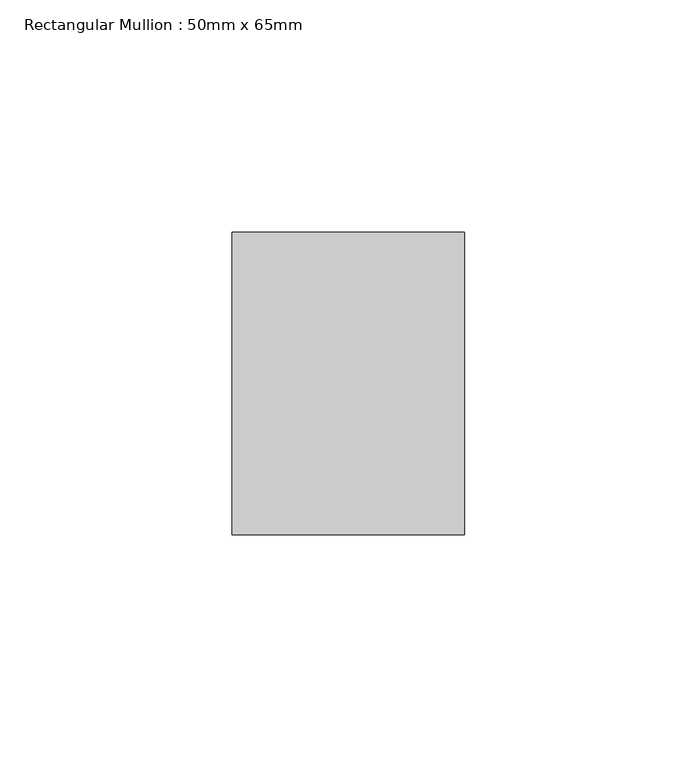
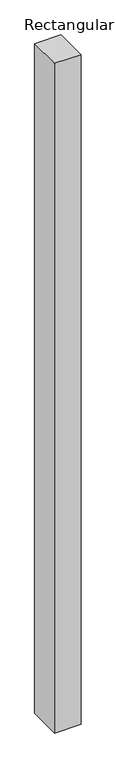
"""IFC4 building model written with IfcOpenShell, lengths in millimetres: member geometry, Rectangular Mullion : 50mm x 65mm."""

from ifc_helpers import new_model, si_unit, frame, origin, place, context, project, spatial, polyline, outline, extrude, source, transform, mapped, element, save


def rectangular_mullion_50mm_x_65mm_f755ff8c(model_context):
    return source(origin(), model_context, "Body", "SweptSolid", [
        extrude(outline(polyline([(25.0, 32.5), (25.0, -32.5), (-25.0, -32.5), (-25.0, 32.5), (25.0, 32.5)])), frame((0.0, 0.0, -1337.4794472), z_axis=(0.0, 0.0, 1.0), x_axis=(1.0, 0.0, 0.0)), (0.0, 0.0, 1.0), 1337.4794472),
    ])


if __name__ == "__main__":
    model = new_model("IFC4")
    model_context = context("Model", 3, world=origin())
    ifc_project = project(units=[si_unit("LENGTHUNIT", "METRE", prefix="MILLI")], contexts=[model_context])
    site = spatial("IfcSite", under=ifc_project)
    building = spatial("IfcBuilding", under=site)
    placement = place(None, origin())
    rectangular_mullion_50mm_x_65mm_shape = rectangular_mullion_50mm_x_65mm_f755ff8c(model_context)
    element("IfcMember", 1, ObjectType="Rectangular Mullion : 50mm x 65mm", at=placement, inside=building, context=model_context, shape_type="MappedRepresentation", body=[
        mapped(rectangular_mullion_50mm_x_65mm_shape, transform((0.0, 0.0, 0.0), x_axis=(1.0, 0.0, 0.0), y_axis=(0.0, 1.0, 0.0), z_axis=(0.0, 0.0, 1.0))),
    ])
    save(model, "model.ifc")
